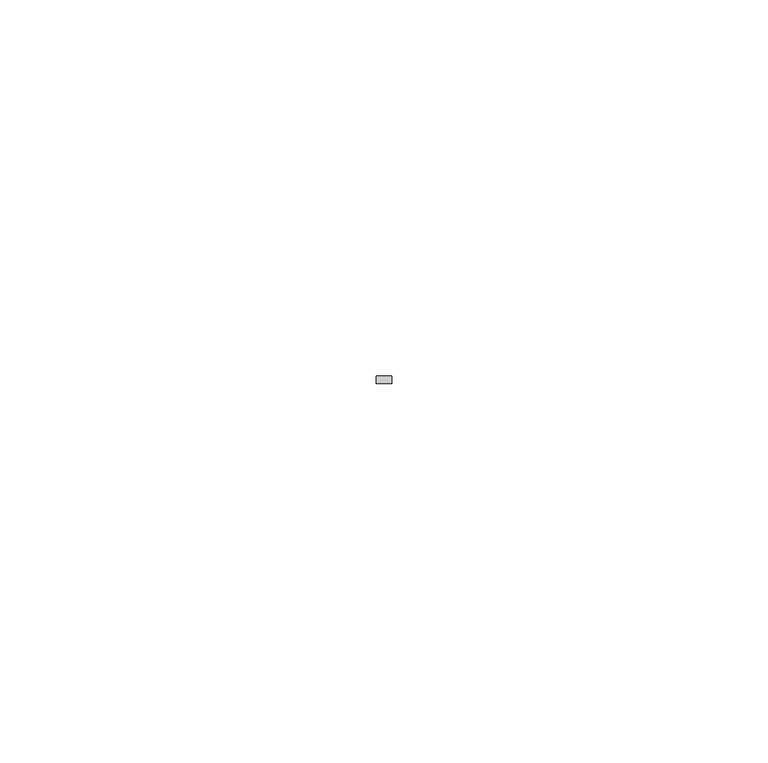
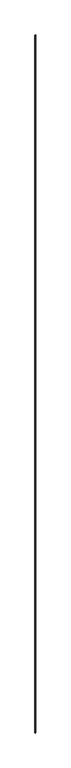
"""IFC4 building model written with IfcOpenShell, lengths in millimetres: member geometry."""

import ifcopenshell
import ifcopenshell.guid

model = None  # the IFC model being written
_history = None  # IfcOwnerHistory: only IFC2X3 demands one
_inside = {}  # id of a spatial element -> (the spatial element, [elements in it])
_under = {}  # id of a project, library or spatial element -> (it, [spatial elements below it])
_declared = {}  # id of a project -> (the project, [libraries it declares])
_typed = {}  # id of a type object -> (the type object, [elements of that type])
_made_of = {}  # id of a material, layer set ... -> (it, [elements and type objects made of it])


def new_model(schema):
    """Start an empty IFC model of exactly this schema.

    Asked for "IFC4X3", IfcOpenShell would pick the latest addendum, in which some entities
    have other attributes; the version numbers below select the first issue.
    IFC2X3 requires an IfcOwnerHistory on every rooted entity: one is made here for all.
    """
    global model, _history
    if schema == "IFC4X3":
        model = ifcopenshell.file(schema_version=(4, 3, 0, 0))
    else:
        model = ifcopenshell.file(schema=schema)
    _inside.clear()
    _under.clear()
    _declared.clear()
    _typed.clear()
    _made_of.clear()
    _history = None
    if model.schema == "IFC2X3":
        org = make("IfcOrganization", Name="unknown")
        user = make(
            "IfcPersonAndOrganization",
            ThePerson=make("IfcPerson", FamilyName="unknown"),
            TheOrganization=org,
        )
        app = make(
            "IfcApplication",
            ApplicationDeveloper=org,
            Version="unknown",
            ApplicationFullName="unknown",
            ApplicationIdentifier="unknown",
        )
        _history = make(
            "IfcOwnerHistory",
            OwningUser=user,
            OwningApplication=app,
            ChangeAction="ADDED",
            CreationDate=0,
        )
    return model


def make(cls, **values):
    """One entity of the class cls with the attributes given. An attribute that is None is left unset."""
    return model.create_entity(
        cls, **{name: value for name, value in values.items() if value is not None}
    )


def rooted(cls, **values):
    """An entity with a GlobalId (a new one), such as an element, a storey or a relation."""
    return make(cls, GlobalId=ifcopenshell.guid.new(), OwnerHistory=_history, **values)


def si_unit(unit_type, name, prefix=None):
    """IfcSIUnit, for example si_unit("LENGTHUNIT", "METRE", prefix="MILLI")."""
    return make("IfcSIUnit", UnitType=unit_type, Prefix=prefix, Name=name)


def assignment(units):
    """IfcUnitAssignment: the units of a project."""
    return None if units is None else make("IfcUnitAssignment", Units=units)


def point(xyz):
    """IfcCartesianPoint."""
    return None if xyz is None else make("IfcCartesianPoint", Coordinates=xyz)


def direction(xyz):
    """IfcDirection."""
    return None if xyz is None else make("IfcDirection", DirectionRatios=xyz)


def frame(location, z_axis=None, x_axis=None):
    """IfcAxis2Placement3D, a coordinate frame: its origin and axes. An axis left out is left unset."""
    return make(
        "IfcAxis2Placement3D",
        Location=point(location),
        Axis=direction(z_axis),
        RefDirection=direction(x_axis),
    )


def origin():
    """The frame at (0, 0, 0) with its axes left unset."""
    return frame((0.0, 0.0, 0.0))


def place(relative_to, where):
    """IfcLocalPlacement: puts the frame where relative to a parent placement (None: the world)."""
    return make(
        "IfcLocalPlacement", PlacementRelTo=relative_to, RelativePlacement=where
    )


def context(
    kind, dimensions, precision=None, world=None, true_north=None, identifier=None
):
    """IfcGeometricRepresentationContext, for example the 3D "Model" context."""
    return make(
        "IfcGeometricRepresentationContext",
        ContextIdentifier=identifier,
        ContextType=kind,
        CoordinateSpaceDimension=dimensions,
        Precision=precision,
        WorldCoordinateSystem=world,
        TrueNorth=true_north,
    )


def project(units=None, contexts=None):
    """IfcProject with its units and contexts."""
    return rooted(
        "IfcProject",
        Name="project",
        RepresentationContexts=contexts,
        UnitsInContext=assignment(units),
    )


def spatial(cls, under=None, at=None, **own):
    """A site, building, storey or space (cls), placed at a placement, below another one or the project."""
    s = rooted(cls, ObjectPlacement=at, **own)
    if under is not None:
        _under.setdefault(under.id(), (under, []))[1].append(s)
    return s


def polyline(points):
    """IfcPolyline through the points."""
    return make("IfcPolyline", Points=[point(p) for p in points])


def outline(outer, holes=None, kind="AREA"):
    """IfcArbitraryClosedProfileDef: a profile drawn as a closed curve; with holes, ...WithVoids."""
    if holes is None:
        return make("IfcArbitraryClosedProfileDef", ProfileType=kind, OuterCurve=outer)
    return make(
        "IfcArbitraryProfileDefWithVoids",
        ProfileType=kind,
        OuterCurve=outer,
        InnerCurves=holes,
    )


def extrude(swept, where, along, depth):
    """IfcExtrudedAreaSolid: the profile swept, set in the frame where, extruded along a direction by depth."""
    return make(
        "IfcExtrudedAreaSolid",
        SweptArea=swept,
        Position=where,
        ExtrudedDirection=direction(along),
        Depth=depth,
    )


def shape(context_of_items, identifier, shape_type, items):
    """IfcShapeRepresentation: the items that make up one representation, for example the "Body"."""
    return make(
        "IfcShapeRepresentation",
        ContextOfItems=context_of_items,
        RepresentationIdentifier=identifier,
        RepresentationType=shape_type,
        Items=items,
    )


def source(mapping_origin, context_of_items, identifier, shape_type, items):
    """IfcRepresentationMap: a shape defined once, which mapped items show again and again."""
    return make(
        "IfcRepresentationMap",
        MappingOrigin=mapping_origin,
        MappedRepresentation=shape(context_of_items, identifier, shape_type, items),
    )


def transform(
    local_origin,
    x_axis=None,
    y_axis=None,
    z_axis=None,
    scale=None,
    scale2=None,
    scale3=None,
    uniform=True,
):
    """IfcCartesianTransformationOperator3D, or its non-uniform kind. x_axis, y_axis, z_axis: its Axis1, 2, 3."""
    if uniform:
        return make(
            "IfcCartesianTransformationOperator3D",
            Axis1=direction(x_axis),
            Axis2=direction(y_axis),
            LocalOrigin=point(local_origin),
            Scale=scale,
            Axis3=direction(z_axis),
        )
    return make(
        "IfcCartesianTransformationOperator3DnonUniform",
        Axis1=direction(x_axis),
        Axis2=direction(y_axis),
        LocalOrigin=point(local_origin),
        Scale=scale,
        Axis3=direction(z_axis),
        Scale2=scale2,
        Scale3=scale3,
    )


def mapped(mapping_source, mapping_target):
    """IfcMappedItem: shows the shape of a source again, moved by a transform."""
    return make(
        "IfcMappedItem", MappingSource=mapping_source, MappingTarget=mapping_target
    )


def made_of(thing, what):
    """Note that an element or type object is made of a material, layer set ...; save() writes the relation."""
    if what is not None:
        _made_of.setdefault(what.id(), (what, []))[1].append(thing)
    return thing


def element(
    cls,
    number,
    at=None,
    inside=None,
    cuts=None,
    type_object=None,
    material=None,
    context=None,
    identifier="Body",
    shape_type=None,
    held_by="IfcProductDefinitionShape",
    body=None,
    shapes=None,
    **own,
):
    """One element of the class cls, such as IfcWall. Its Tag is "e" and its number.

    at: its placement. inside: the storey or other place that contains it. cuts: it is an
    opening in that element (IfcRelVoidsElement). A single representation is given by context,
    identifier, shape_type and body (its items); several are given by shapes. held_by: the class
    of the entity that holds the representations. save() writes the other relations.
    """
    e = rooted(cls, Tag="e%d" % number, ObjectPlacement=at, **own)
    if body is not None:
        shapes = [shape(context, identifier, shape_type, body)]
    if shapes is not None:
        e.Representation = make(held_by, Representations=shapes)
    if inside is not None:
        _inside.setdefault(inside.id(), (inside, []))[1].append(e)
    if cuts is not None:
        rooted(
            "IfcRelVoidsElement", RelatingBuildingElement=cuts, RelatedOpeningElement=e
        )
    if type_object is not None:
        _typed.setdefault(type_object.id(), (type_object, []))[1].append(e)
    return made_of(e, material)


def aggregate(whole, parts):
    """IfcRelAggregates: a whole, such as a stair, and the parts it consists of."""
    return rooted("IfcRelAggregates", RelatingObject=whole, RelatedObjects=parts)


def save(model, path):
    """Write the relations noted so far, then the file.

    IfcRelAggregates (storeys below a building ...), IfcRelContainedInSpatialStructure (elements
    in a storey), IfcRelDefinesByType, IfcRelAssociatesMaterial and IfcRelDeclares: one each for
    every whole, place, type object, material and project.
    """
    for whole, parts in _under.values():
        aggregate(whole, parts)
    for where, things in _inside.values():
        rooted(
            "IfcRelContainedInSpatialStructure",
            RelatedElements=things,
            RelatingStructure=where,
        )
    for kind, things in _typed.values():
        rooted("IfcRelDefinesByType", RelatedObjects=things, RelatingType=kind)
    for what, things in _made_of.values():
        rooted("IfcRelAssociatesMaterial", RelatedObjects=things, RelatingMaterial=what)
    for by, libraries in _declared.values():
        rooted("IfcRelDeclares", RelatingContext=by, RelatedDefinitions=libraries)
    model.write(path)


def member_b5675d47(model_context):
    return source(origin(), model_context, "Body", "SweptSolid", [
        extrude(outline(polyline([(0.0, -6.0), (0.0, -7.0), (-2.0, -7.0), (-2.0, -6.0), (0.0, -6.0)])), frame((0.0, 0.0, -2100.0), z_axis=(0.0, 0.0, 1.0), x_axis=(1.0, 0.0, 0.0)), (0.0, 0.0, 1.0), 2100.0),
    ])


if __name__ == "__main__":
    model = new_model("IFC4")
    model_context = context("Model", 3, world=origin())
    ifc_project = project(units=[si_unit("LENGTHUNIT", "METRE", prefix="MILLI")], contexts=[model_context])
    site = spatial("IfcSite", under=ifc_project)
    building = spatial("IfcBuilding", under=site)
    placement = place(None, origin())
    member_shape = member_b5675d47(model_context)
    element("IfcMember", 1, at=placement, inside=building, context=model_context, shape_type="MappedRepresentation", body=[
        mapped(member_shape, transform((0.0, 0.0, 0.0), x_axis=(1.0, 0.0, 0.0), y_axis=(0.0, 1.0, 0.0), z_axis=(0.0, 0.0, 1.0))),
    ])
    save(model, "model.ifc")
